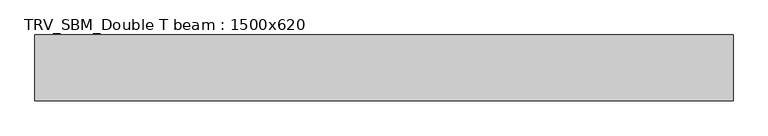
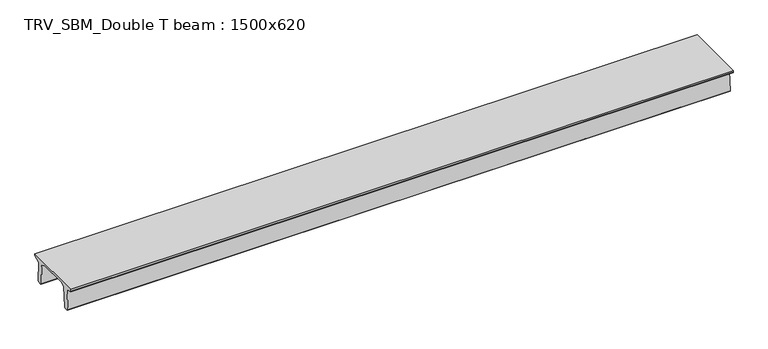
"""IFC4 building model written with IfcOpenShell, lengths in millimetres: beam geometry, TRV_SBM_Double T beam : 1500x620."""

from ifc_helpers import new_model, si_unit, frame, origin, place, context, project, spatial, polyline, outline, extrude, source, transform, mapped, element, save


def trv_sbm_double_t_beam_1500x620_f0ba9811(model_context):
    return source(origin(), model_context, "Body", "SweptSolid", [
        extrude(outline(polyline([(-765.0, 215.0), (-765.0, 260.0), (735.0, 260.0), (735.0, 215.0), (728.2094488, 201.315559), (578.0626443, 140.6523122), (594.8277662, -339.4379646), (574.2657308, -360.0), (484.2657308, -360.0), (464.786332, -340.5206011), (447.8600761, 144.18395), (338.3237744, 210.0), (-367.4555014, 210.0), (-476.5389732, 151.9992892), (-507.0080378, -339.3850967), (-527.622941, -360.0), (-615.122941, -360.0), (-637.1143055, -338.0086356), (-606.1572167, 162.687806), (-761.3068466, 204.260024), (-765.0, 215.0)])), frame((-7963.5, 0.0, 0.0), z_axis=(1.0, 0.0, 0.0), x_axis=(0.0, 1.0, 0.0)), (0.0, 0.0, 1.0), 15927.0),
    ])


if __name__ == "__main__":
    model = new_model("IFC4")
    model_context = context("Model", 3, world=origin())
    ifc_project = project(units=[si_unit("LENGTHUNIT", "METRE", prefix="MILLI")], contexts=[model_context])
    site = spatial("IfcSite", under=ifc_project)
    building = spatial("IfcBuilding", under=site)
    placement = place(None, origin())
    trv_sbm_double_t_beam_1500x620_shape = trv_sbm_double_t_beam_1500x620_f0ba9811(model_context)
    element("IfcBeam", 1, ObjectType="TRV_SBM_Double T beam : 1500x620", at=placement, inside=building, context=model_context, shape_type="MappedRepresentation", body=[
        mapped(trv_sbm_double_t_beam_1500x620_shape, transform((0.0, 0.0, 0.0), x_axis=(1.0, 0.0, 0.0), y_axis=(0.0, 1.0, 0.0), z_axis=(0.0, 0.0, 1.0))),
    ])
    save(model, "model.ifc")
